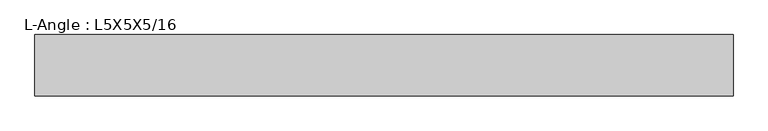
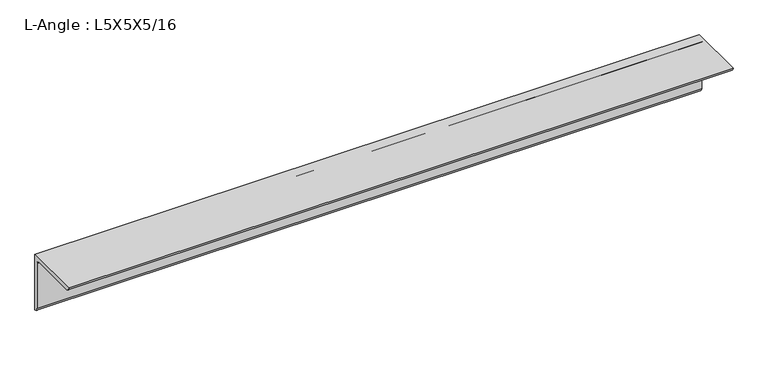
"""IFC4 building model written with IfcOpenShell, lengths in millimetres: beam geometry, L-Angle : L5X5X5/16."""

from ifc_helpers import new_model, si_unit, point, frame, frame_2d, origin, place, context, project, spatial, polyline, circle_curve, trimmed, segment, composite_curve, outline, extrude, source, transform, mapped, element, save


def l_angle_l5x5x5_16_718bf1cf(model_context):
    return source(origin(), model_context, "Body", "SweptSolid", [
        extrude(outline(composite_curve([segment(polyline([(34.3296875, 34.3296875), (34.3296875, -92.6703125)]), True, "CONTINUOUS"), segment(trimmed(circle_curve(frame_2d((34.3296875, -84.7328125)), 7.9375), [point((34.3296875, -92.6703125))], [point((26.3921875, -84.7328125))], False, "CARTESIAN"), True, "CONTINUOUS"), segment(polyline([(26.3921875, -84.7328125), (26.3921875, 18.4546875)]), True, "CONTINUOUS"), segment(trimmed(circle_curve(frame_2d((18.4546875, 18.4546875)), 7.9375), [point((26.3921875, 18.4546875))], [point((18.4546875, 26.3921875))], True, "CARTESIAN"), True, "CONTINUOUS"), segment(polyline([(18.4546875, 26.3921875), (-84.7328125, 26.3921875)]), True, "CONTINUOUS"), segment(trimmed(circle_curve(frame_2d((-84.7328125, 34.3296875)), 7.9375), [point((-84.7328125, 26.3921875))], [point((-92.6703125, 34.3296875))], False, "CARTESIAN"), True, "CONTINUOUS"), segment(polyline([(-92.6703125, 34.3296875), (34.3296875, 34.3296875)]), True, "CONTINUOUS")], self_intersect=False)), frame((-724.3960937, 0.0, 0.0), z_axis=(1.0, 0.0, 0.0), x_axis=(0.0, 1.0, 0.0)), (0.0, 0.0, 1.0), 1448.7921875),
    ])


if __name__ == "__main__":
    model = new_model("IFC4")
    model_context = context("Model", 3, world=origin())
    ifc_project = project(units=[si_unit("LENGTHUNIT", "METRE", prefix="MILLI")], contexts=[model_context])
    site = spatial("IfcSite", under=ifc_project)
    building = spatial("IfcBuilding", under=site)
    placement = place(None, origin())
    l_angle_l5x5x5_16_shape = l_angle_l5x5x5_16_718bf1cf(model_context)
    element("IfcBeam", 1, ObjectType="L-Angle : L5X5X5/16", at=placement, inside=building, context=model_context, shape_type="MappedRepresentation", body=[
        mapped(l_angle_l5x5x5_16_shape, transform((0.0, 0.0, 0.0), x_axis=(1.0, 0.0, 0.0), y_axis=(0.0, 1.0, 0.0), z_axis=(0.0, 0.0, 1.0))),
    ])
    save(model, "model.ifc")
